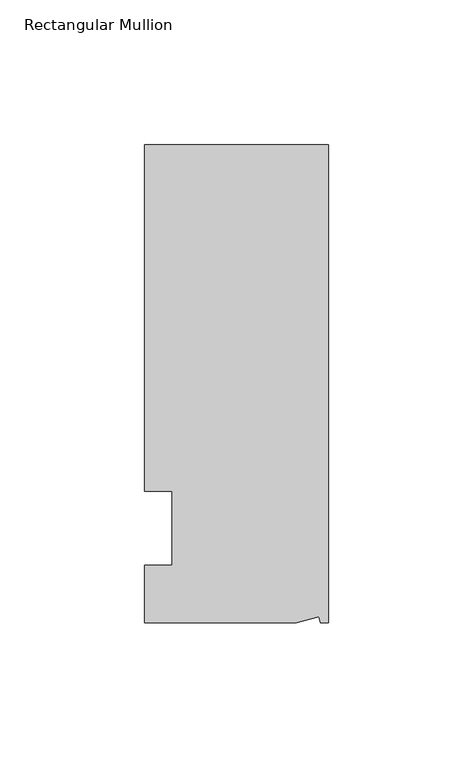
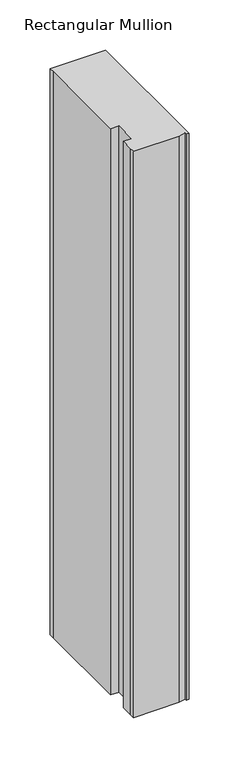
"""IFC4 building model written with IfcOpenShell, lengths in millimetres: member geometry, Rectangular Mullion."""

from ifc_helpers import new_model, si_unit, origin, place, context, project, spatial, faceted_brep, source, transform, mapped, element, save


def rectangular_mullion_9d1a920b(model_context):
    return source(origin(), model_context, "Body", "Brep", [
        faceted_brep([(0.0, 132.5561012, 0.0), (-63.5, 132.5561012, 0.0), (-63.5, 126.2061012, 0.0), (-63.5, 12.8488281, 0.0), (-53.975, 12.8488281, 0.0), (-53.975, -12.7, 0.0), (-63.5, -12.7, 0.0), (-63.5, -26.1938988, 0.0), (-63.5076469, -32.5438988, 0.0), (-11.1125, -32.5438988, 0.0), (-3.3223696, -30.4565397, 0.0), (-2.7630634, -32.5438988, 0.0), (0.0, -32.5438988, 0.0), (0.0, 132.5561012, -685.8), (0.0, -32.5438988, -685.8), (-2.7630634, -32.5438988, -685.8), (-3.3223696, -30.4565397, -685.8), (-11.1125, -32.5438988, -685.8), (-63.5076469, -32.5438988, -685.8), (-63.5076469, -26.1938988, -685.8), (-63.5, -12.7, -685.8), (-53.975, -12.7, -685.8), (-53.975, 12.8488281, -685.8), (-63.5, 12.8488281, -685.8), (-63.5, 126.2061012, -685.8), (-63.5, 132.5561012, -685.8)], [[[0, 1, 2, 3, 4, 5, 6, 7, 8, 9, 10, 11, 12]], [[13, 14, 15, 16, 17, 18, 19, 20, 21, 22, 23, 24, 25]], [[1, 0, 13, 25]], [[3, 2, 24, 23]], [[4, 3, 23, 22]], [[5, 4, 22, 21]], [[6, 5, 21, 20]], [[7, 6, 20, 19]], [[9, 8, 18, 17]], [[10, 9, 17, 16]], [[11, 10, 16, 15]], [[12, 11, 15, 14]], [[0, 12, 14, 13]], [[2, 1, 25, 24]], [[8, 7, 19, 18]]]),
    ])


if __name__ == "__main__":
    model = new_model("IFC4")
    model_context = context("Model", 3, world=origin())
    ifc_project = project(units=[si_unit("LENGTHUNIT", "METRE", prefix="MILLI")], contexts=[model_context])
    site = spatial("IfcSite", under=ifc_project)
    building = spatial("IfcBuilding", under=site)
    placement = place(None, origin())
    rectangular_mullion_shape = rectangular_mullion_9d1a920b(model_context)
    element("IfcMember", 1, ObjectType="Rectangular Mullion", at=placement, inside=building, context=model_context, shape_type="MappedRepresentation", body=[
        mapped(rectangular_mullion_shape, transform((0.0, 0.0, 0.0), x_axis=(1.0, 0.0, 0.0), y_axis=(0.0, 1.0, 0.0), z_axis=(0.0, 0.0, 1.0))),
    ])
    save(model, "model.ifc")
